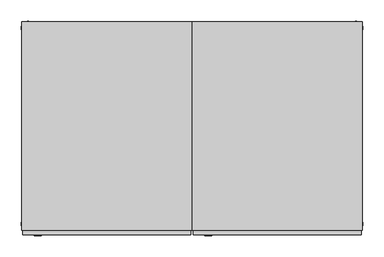
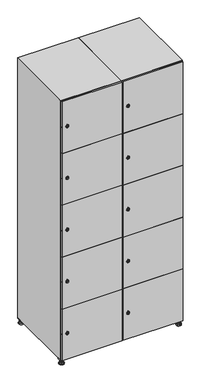
"""IFC4 building model written with IfcOpenShell, lengths in millimetres: furniture geometry."""

from ifc_helpers import new_model, si_unit, point, frame, frame_2d, origin, origin_with_axes, place, context, project, spatial, polyline, circle_curve, trimmed, segment, composite_curve, outline, extrude, faceted_brep, source, transform, mapped, element, save
from ifc_brep_helpers import plane_surface, revolved_surface, advanced_brep


def furniture_2ce0f1fb(model_context):
    return source(origin(), model_context, "Body", "SolidModel", [
        extrude(outline(polyline([(600.0, 245.0), (600.0, 215.0), (570.0, 215.0), (570.0, 245.0), (600.0, 245.0)]), holes=[polyline([(598.0, 243.0), (572.0, 243.0), (572.0, 217.0), (598.0, 217.0), (598.0, 243.0)])]), frame((0.0, 0.0, 28.5), z_axis=(0.0, 0.0, 1.0), x_axis=(1.0, 0.0, 0.0)), (0.0, 0.0, 1.0), 6.5),
        extrude(outline(polyline([(570.0, -245.0), (570.0, -215.0), (600.0, -215.0), (600.0, -245.0), (570.0, -245.0)]), holes=[polyline([(572.0, -243.0), (598.0, -243.0), (598.0, -217.0), (572.0, -217.0), (572.0, -243.0)])]), frame((0.0, 0.0, 28.5), z_axis=(0.0, 0.0, 1.0), x_axis=(1.0, 0.0, 0.0)), (0.0, 0.0, 1.0), 6.5),
        extrude(outline(polyline([(-170.0, 245.0), (-170.0, 215.0), (-200.0, 215.0), (-200.0, 245.0), (-170.0, 245.0)]), holes=[polyline([(-172.0, 243.0), (-198.0, 243.0), (-198.0, 217.0), (-172.0, 217.0), (-172.0, 243.0)])]), frame((0.0, 0.0, 28.5), z_axis=(0.0, 0.0, 1.0), x_axis=(1.0, 0.0, 0.0)), (0.0, 0.0, 1.0), 6.5),
        extrude(outline(polyline([(-170.0, -215.0), (-170.0, -245.0), (-200.0, -245.0), (-200.0, -215.0), (-170.0, -215.0)]), holes=[polyline([(-198.0, -243.0), (-172.0, -243.0), (-172.0, -217.0), (-198.0, -217.0), (-198.0, -243.0)])]), frame((0.0, 0.0, 28.5), z_axis=(0.0, 0.0, 1.0), x_axis=(1.0, 0.0, 0.0)), (0.0, 0.0, 1.0), 6.5),
        extrude(outline(composite_curve([segment(trimmed(circle_curve(frame_2d((-185.0, 230.0)), 5.0), [point((-180.0, 230.0))], [point((-190.0, 230.0))], False, "CARTESIAN"), True, "CONTINUOUS"), segment(trimmed(circle_curve(frame_2d((-185.0, 230.0)), 5.0), [point((-190.0, 230.0))], [point((-180.0, 230.0))], False, "CARTESIAN"), True, "CONTINUOUS")], self_intersect=False)), frame((0.0, 0.0, 19.6), z_axis=(0.0, 0.0, 1.0), x_axis=(1.0, 0.0, 0.0)), (0.0, 0.0, 1.0), 15.4),
        extrude(outline(composite_curve([segment(trimmed(circle_curve(frame_2d((-185.0, -230.0)), 5.0), [point((-180.0, -230.0))], [point((-190.0, -230.0))], False, "CARTESIAN"), True, "CONTINUOUS"), segment(trimmed(circle_curve(frame_2d((-185.0, -230.0)), 5.0), [point((-190.0, -230.0))], [point((-180.0, -230.0))], False, "CARTESIAN"), True, "CONTINUOUS")], self_intersect=False)), frame((0.0, 0.0, 19.6), z_axis=(0.0, 0.0, 1.0), x_axis=(1.0, 0.0, 0.0)), (0.0, 0.0, 1.0), 15.4),
        extrude(outline(composite_curve([segment(trimmed(circle_curve(frame_2d((585.0, 230.0)), 5.0), [point((590.0, 230.0))], [point((580.0, 230.0))], False, "CARTESIAN"), True, "CONTINUOUS"), segment(trimmed(circle_curve(frame_2d((585.0, 230.0)), 5.0), [point((580.0, 230.0))], [point((590.0, 230.0))], False, "CARTESIAN"), True, "CONTINUOUS")], self_intersect=False)), frame((0.0, 0.0, 19.6), z_axis=(0.0, 0.0, 1.0), x_axis=(1.0, 0.0, 0.0)), (0.0, 0.0, 1.0), 15.4),
        extrude(outline(polyline([(573.4529946, 230.0), (579.2264973, 240.0), (590.7735027, 240.0), (596.5470054, 230.0), (590.7735027, 220.0), (579.2264973, 220.0), (573.4529946, 230.0)])), frame((0.0, 0.0, 13.6), z_axis=(0.0, 0.0, 1.0), x_axis=(1.0, 0.0, 0.0)), (0.0, 0.0, 1.0), 6.0),
        extrude(outline(composite_curve([segment(trimmed(circle_curve(frame_2d((585.0, -230.0)), 5.0), [point((590.0, -230.0))], [point((580.0, -230.0))], False, "CARTESIAN"), True, "CONTINUOUS"), segment(trimmed(circle_curve(frame_2d((585.0, -230.0)), 5.0), [point((580.0, -230.0))], [point((590.0, -230.0))], False, "CARTESIAN"), True, "CONTINUOUS")], self_intersect=False)), frame((0.0, 0.0, 19.6), z_axis=(0.0, 0.0, 1.0), x_axis=(1.0, 0.0, 0.0)), (0.0, 0.0, 1.0), 15.4),
        extrude(outline(polyline([(573.4529946, -230.0), (579.2264973, -220.0), (590.7735027, -220.0), (596.5470054, -230.0), (590.7735027, -240.0), (579.2264973, -240.0), (573.4529946, -230.0)])), frame((0.0, 0.0, 13.6), z_axis=(0.0, 0.0, 1.0), x_axis=(1.0, 0.0, 0.0)), (0.0, 0.0, 1.0), 6.0),
        extrude(outline(composite_curve([segment(trimmed(circle_curve(frame_2d((585.0, 230.0)), 5.0), [point((590.0, 230.0))], [point((580.0, 230.0))], False, "CARTESIAN"), True, "CONTINUOUS"), segment(trimmed(circle_curve(frame_2d((585.0, 230.0)), 5.0), [point((580.0, 230.0))], [point((590.0, 230.0))], False, "CARTESIAN"), True, "CONTINUOUS")], self_intersect=False)), frame((0.0, 0.0, 12.1), z_axis=(0.0, 0.0, 1.0), x_axis=(1.0, 0.0, 0.0)), (0.0, 0.0, 1.0), 1.5),
        extrude(outline(composite_curve([segment(trimmed(circle_curve(frame_2d((585.0, -230.0)), 5.0), [point((590.0, -230.0))], [point((580.0, -230.0))], False, "CARTESIAN"), True, "CONTINUOUS"), segment(trimmed(circle_curve(frame_2d((585.0, -230.0)), 5.0), [point((580.0, -230.0))], [point((590.0, -230.0))], False, "CARTESIAN"), True, "CONTINUOUS")], self_intersect=False)), frame((0.0, 0.0, 12.1), z_axis=(0.0, 0.0, 1.0), x_axis=(1.0, 0.0, 0.0)), (0.0, 0.0, 1.0), 1.5),
        extrude(outline(polyline([(-196.5470054, 230.0), (-190.7735027, 240.0), (-179.2264973, 240.0), (-173.4529946, 230.0), (-179.2264973, 220.0), (-190.7735027, 220.0), (-196.5470054, 230.0)])), frame((0.0, 0.0, 13.6), z_axis=(0.0, 0.0, 1.0), x_axis=(1.0, 0.0, 0.0)), (0.0, 0.0, 1.0), 6.0),
        extrude(outline(polyline([(-196.5470054, -230.0), (-190.7735027, -220.0), (-179.2264973, -220.0), (-173.4529946, -230.0), (-179.2264973, -240.0), (-190.7735027, -240.0), (-196.5470054, -230.0)])), frame((0.0, 0.0, 13.6), z_axis=(0.0, 0.0, 1.0), x_axis=(1.0, 0.0, 0.0)), (0.0, 0.0, 1.0), 6.0),
        extrude(outline(composite_curve([segment(trimmed(circle_curve(frame_2d((-185.0, 230.0)), 5.0), [point((-185.0, 235.0))], [point((-185.0, 225.0))], False, "CARTESIAN"), True, "CONTINUOUS"), segment(trimmed(circle_curve(frame_2d((-185.0, 230.0)), 5.0), [point((-185.0, 225.0))], [point((-185.0, 235.0))], False, "CARTESIAN"), True, "CONTINUOUS")], self_intersect=False)), frame((0.0, 0.0, 12.1), z_axis=(0.0, 0.0, 1.0), x_axis=(1.0, 0.0, 0.0)), (0.0, 0.0, 1.0), 1.5),
        extrude(outline(composite_curve([segment(trimmed(circle_curve(frame_2d((-185.0, -230.0)), 5.0), [point((-180.0, -230.0))], [point((-190.0, -230.0))], False, "CARTESIAN"), True, "CONTINUOUS"), segment(trimmed(circle_curve(frame_2d((-185.0, -230.0)), 5.0), [point((-190.0, -230.0))], [point((-180.0, -230.0))], False, "CARTESIAN"), True, "CONTINUOUS")], self_intersect=False)), frame((0.0, 0.0, 12.1), z_axis=(0.0, 0.0, 1.0), x_axis=(1.0, 0.0, 0.0)), (0.0, 0.0, 1.0), 1.5),
        extrude(outline(composite_curve([segment(trimmed(circle_curve(frame_2d((585.0, 230.0)), 15.75), [point((600.75, 230.0))], [point((569.25, 230.0))], False, "CARTESIAN"), True, "CONTINUOUS"), segment(trimmed(circle_curve(frame_2d((585.0, 230.0)), 15.75), [point((569.25, 230.0))], [point((600.75, 230.0))], False, "CARTESIAN"), True, "CONTINUOUS")], self_intersect=False)), origin_with_axes(), (0.0, 0.0, 1.0), 5.1),
        extrude(outline(composite_curve([segment(trimmed(circle_curve(frame_2d((585.0, -230.0)), 15.75), [point((585.0, -214.25))], [point((585.0, -245.75))], False, "CARTESIAN"), True, "CONTINUOUS"), segment(trimmed(circle_curve(frame_2d((585.0, -230.0)), 15.75), [point((585.0, -245.75))], [point((585.0, -214.25))], False, "CARTESIAN"), True, "CONTINUOUS")], self_intersect=False)), origin_with_axes(), (0.0, 0.0, 1.0), 5.1),
        extrude(outline(composite_curve([segment(trimmed(circle_curve(frame_2d((-185.0, -230.0)), 15.75), [point((-169.25, -230.0))], [point((-200.75, -230.0))], False, "CARTESIAN"), True, "CONTINUOUS"), segment(trimmed(circle_curve(frame_2d((-185.0, -230.0)), 15.75), [point((-200.75, -230.0))], [point((-169.25, -230.0))], False, "CARTESIAN"), True, "CONTINUOUS")], self_intersect=False)), origin_with_axes(), (0.0, 0.0, 1.0), 5.1),
        extrude(outline(composite_curve([segment(trimmed(circle_curve(frame_2d((-185.0, 230.0)), 15.75), [point((-169.25, 230.0))], [point((-200.75, 230.0))], False, "CARTESIAN"), True, "CONTINUOUS"), segment(trimmed(circle_curve(frame_2d((-185.0, 230.0)), 15.75), [point((-200.75, 230.0))], [point((-169.25, 230.0))], False, "CARTESIAN"), True, "CONTINUOUS")], self_intersect=False)), origin_with_axes(), (0.0, 0.0, 1.0), 5.1),
        advanced_brep(
        [(-185.0, 239.5, 12.1), (-185.0, 220.5, 12.1), (-185.0, 214.25, 5.1), (-185.0, 245.75, 5.1)],
        [
            (0, 1, circle_curve(frame((-185.0, 230.0, 12.1), z_axis=(0.0, 0.0, -1.0), x_axis=(0.0, 1.0, 0.0)), 9.5)),
            (1, 2),
            (2, 3, circle_curve(frame((-185.0, 230.0, 5.1), z_axis=(0.0, 0.0, 1.0), x_axis=(0.0, 1.0, 0.0)), 15.75)),
            (3, 0),
            (1, 0, circle_curve(frame((-185.0, 230.0, 12.1), z_axis=(0.0, 0.0, -1.0), x_axis=(0.0, -1.0, 0.0)), 9.5)),
            (3, 2, circle_curve(frame((-185.0, 230.0, 5.1), z_axis=(0.0, 0.0, 1.0), x_axis=(0.0, -1.0, 0.0)), 15.75)),
        ],
        [
            revolved_surface(polyline([(-185.0, 220.5, 12.099999999999998), (-185.0, 214.25, 5.099999999999998)]), (-185.0, 230.0, 22.74), (0.0, 0.0, -1.0)),
            revolved_surface(polyline([(-185.0, 239.5, 12.099999999999998), (-185.0, 245.75, 5.099999999999998)]), (-185.0, 230.0, 22.74), (0.0, 0.0, -1.0)),
            plane_surface(frame((-185.0, 230.0, 5.1), z_axis=(0.0, 0.0, -1.0), x_axis=(1.0, 0.0, 0.0))),
            plane_surface(frame((-185.0, 230.0, 12.1), z_axis=(0.0, 0.0, 1.0), x_axis=(1.0, 0.0, 0.0))),
        ],
        [
            (0, [[1, 2, 3, 4]]),
            (1, [[5, -4, 6, -2]]),
            (2, [[-3, -6]]),
            (3, [[-5, -1]]),
        ],
    ),
        advanced_brep(
        [(585.0, 239.5, 12.1), (585.0, 220.5, 12.1), (585.0, 214.25, 5.1), (585.0, 245.75, 5.1)],
        [
            (0, 1, circle_curve(frame((585.0, 230.0, 12.1), z_axis=(0.0, 0.0, -1.0), x_axis=(0.0, 1.0, 0.0)), 9.5)),
            (1, 2),
            (2, 3, circle_curve(frame((585.0, 230.0, 5.1), z_axis=(0.0, 0.0, 1.0), x_axis=(0.0, 1.0, 0.0)), 15.75)),
            (3, 0),
            (1, 0, circle_curve(frame((585.0, 230.0, 12.1), z_axis=(0.0, 0.0, -1.0), x_axis=(0.0, -1.0, 0.0)), 9.5)),
            (3, 2, circle_curve(frame((585.0, 230.0, 5.1), z_axis=(0.0, 0.0, 1.0), x_axis=(0.0, -1.0, 0.0)), 15.75)),
        ],
        [
            revolved_surface(polyline([(585.0, 220.5, 12.099999999999998), (585.0, 214.25, 5.099999999999998)]), (585.0, 230.0, 22.74), (0.0, 0.0, -1.0)),
            revolved_surface(polyline([(585.0, 239.5, 12.099999999999998), (585.0, 245.75, 5.099999999999998)]), (585.0, 230.0, 22.74), (0.0, 0.0, -1.0)),
            plane_surface(frame((585.0, 230.0, 5.1), z_axis=(0.0, 0.0, -1.0), x_axis=(1.0, 0.0, 0.0))),
            plane_surface(frame((585.0, 230.0, 12.1), z_axis=(0.0, 0.0, 1.0), x_axis=(1.0, 0.0, 0.0))),
        ],
        [
            (0, [[1, 2, 3, 4]]),
            (1, [[5, -4, 6, -2]]),
            (2, [[-3, -6]]),
            (3, [[-5, -1]]),
        ],
    ),
        advanced_brep(
        [(600.75, -230.0, 5.1), (569.25, -230.0, 5.1), (575.5, -230.0, 12.1), (594.5, -230.0, 12.1)],
        [
            (0, 1, circle_curve(frame((585.0, -230.0, 5.1), z_axis=(0.0, 0.0, 1.0), x_axis=(1.0, 0.0, 0.0)), 15.75)),
            (1, 2),
            (2, 3, circle_curve(frame((585.0, -230.0, 12.1), z_axis=(0.0, 0.0, -1.0), x_axis=(1.0, 0.0, 0.0)), 9.5)),
            (3, 0),
            (1, 0, circle_curve(frame((585.0, -230.0, 5.1), z_axis=(0.0, 0.0, 1.0), x_axis=(-1.0, 0.0, 0.0)), 15.75)),
            (3, 2, circle_curve(frame((585.0, -230.0, 12.1), z_axis=(0.0, 0.0, -1.0), x_axis=(-1.0, 0.0, 0.0)), 9.5)),
        ],
        [
            revolved_surface(polyline([(594.5, -230.0, 12.099999999999998), (600.75, -230.0, 5.099999999999998)]), (585.0, -230.0, 22.74), (0.0, 0.0, -1.0)),
            revolved_surface(polyline([(575.5, -230.0, 12.099999999999998), (569.25, -230.0, 5.099999999999998)]), (585.0, -230.0, 22.74), (0.0, 0.0, -1.0)),
            plane_surface(frame((585.0, -230.0, 12.1), z_axis=(0.0, 0.0, 1.0), x_axis=(0.0, 1.0, 0.0))),
            plane_surface(frame((585.0, -230.0, 5.1), z_axis=(0.0, 0.0, -1.0), x_axis=(0.0, 1.0, 0.0))),
        ],
        [
            (0, [[1, 2, 3, 4]]),
            (1, [[5, -4, 6, -2]]),
            (2, [[-3, -6]]),
            (3, [[-5, -1]]),
        ],
    ),
        advanced_brep(
        [(-169.25, -230.0, 5.1), (-200.75, -230.0, 5.1), (-194.5, -230.0, 12.1), (-175.5, -230.0, 12.1)],
        [
            (0, 1, circle_curve(frame((-185.0, -230.0, 5.1), z_axis=(0.0, 0.0, 1.0), x_axis=(1.0, 0.0, 0.0)), 15.75)),
            (1, 2),
            (2, 3, circle_curve(frame((-185.0, -230.0, 12.1), z_axis=(0.0, 0.0, -1.0), x_axis=(1.0, 0.0, 0.0)), 9.5)),
            (3, 0),
            (1, 0, circle_curve(frame((-185.0, -230.0, 5.1), z_axis=(0.0, 0.0, 1.0), x_axis=(-1.0, 0.0, 0.0)), 15.75)),
            (3, 2, circle_curve(frame((-185.0, -230.0, 12.1), z_axis=(0.0, 0.0, -1.0), x_axis=(-1.0, 0.0, 0.0)), 9.5)),
        ],
        [
            revolved_surface(polyline([(-175.5, -230.0, 12.099999999999998), (-169.25, -230.0, 5.099999999999998)]), (-185.0, -230.0, 22.74), (0.0, 0.0, -1.0)),
            revolved_surface(polyline([(-194.5, -230.0, 12.099999999999998), (-200.75, -230.0, 5.099999999999998)]), (-185.0, -230.0, 22.74), (0.0, 0.0, -1.0)),
            plane_surface(frame((-185.0, -230.0, 12.1), z_axis=(0.0, 0.0, 1.0), x_axis=(0.0, 1.0, 0.0))),
            plane_surface(frame((-185.0, -230.0, 5.1), z_axis=(0.0, 0.0, -1.0), x_axis=(0.0, 1.0, 0.0))),
        ],
        [
            (0, [[1, 2, 3, 4]]),
            (1, [[5, -4, 6, -2]]),
            (2, [[-3, -6]]),
            (3, [[-5, -1]]),
        ],
    ),
        extrude(outline(composite_curve([segment(trimmed(circle_curve(frame_2d((217.4, 211.2010534)), 7.0), [point((224.4, 211.2010534))], [point((210.4, 211.2010534))], False, "CARTESIAN"), True, "CONTINUOUS"), segment(polyline([(210.4, 211.2010534), (210.4, 239.2010534)]), True, "CONTINUOUS"), segment(trimmed(circle_curve(frame_2d((217.4, 239.2010534)), 7.0), [point((210.4, 239.2010534))], [point((224.4, 239.2010534))], False, "CARTESIAN"), True, "CONTINUOUS"), segment(polyline([(224.4, 239.2010534), (224.4, 211.2010534)]), True, "CONTINUOUS")], self_intersect=False)), frame((0.0, -245.0, 0.0), z_axis=(0.0, 1.0, 0.0), x_axis=(0.0, 0.0, 1.0)), (0.0, 0.0, 1.0), 2.0),
        advanced_brep(
        [(246.5, -257.2, 217.4), (229.5, -257.2, 217.4), (233.0, -257.2, 216.15), (233.0, -257.2, 218.65), (243.0, -257.2, 218.65), (243.0, -257.2, 216.15), (248.5, -255.0, 217.4), (227.5, -255.0, 217.4), (233.0, -255.0, 218.65), (233.0, -255.0, 216.15), (243.0, -255.0, 216.15), (243.0, -255.0, 218.65)],
        [
            (0, 1, circle_curve(frame((238.0, -257.2, 217.4), z_axis=(0.0, -1.0, 0.0), x_axis=(1.0, 0.0, 0.0)), 8.5)),
            (1, 0, circle_curve(frame((238.0, -257.2, 217.4), z_axis=(0.0, -1.0, 0.0), x_axis=(-1.0, 0.0, 0.0)), 8.5)),
            (2, 3),
            (3, 4),
            (4, 5),
            (5, 2),
            (6, 7, circle_curve(frame((238.0, -255.0, 217.4), z_axis=(0.0, 1.0, 0.0), x_axis=(-1.0, 0.0, 0.0)), 10.5)),
            (7, 6, circle_curve(frame((238.0, -255.0, 217.4), z_axis=(0.0, 1.0, 0.0), x_axis=(1.0, 0.0, 0.0)), 10.5)),
            (8, 9),
            (9, 10),
            (10, 11),
            (11, 8),
            (0, 6),
            (7, 1),
            (8, 3),
            (2, 9),
            (11, 4),
            (10, 5),
        ],
        [
            plane_surface(frame((238.0, -257.2, 217.4), z_axis=(0.0, -1.0, 0.0), x_axis=(0.0, 0.0, 1.0))),
            plane_surface(frame((238.0, -255.0, 217.4), z_axis=(0.0, 1.0, 0.0), x_axis=(0.0, 0.0, 1.0))),
            revolved_surface(polyline([(246.5, -257.2, 217.4), (248.5, -255.0, 217.4)]), (238.0, -266.55, 217.4), (0.0, 1.0, 0.0)),
            revolved_surface(polyline([(229.5, -257.2, 217.4), (227.5, -255.0, 217.4)]), (238.0, -266.55, 217.4), (0.0, 1.0, 0.0)),
            plane_surface(frame((233.0, -255.0, 216.15), z_axis=(1.0, 0.0, 0.0), x_axis=(0.0, -1.0, 0.0))),
            plane_surface(frame((233.0, -255.0, 218.65), z_axis=(0.0, 0.0, -1.0), x_axis=(0.0, -1.0, 0.0))),
            plane_surface(frame((243.0, -255.0, 218.65), z_axis=(-1.0, 0.0, 0.0), x_axis=(0.0, -1.0, 0.0))),
            plane_surface(frame((243.0, -255.0, 216.15), z_axis=(0.0, 0.0, 1.0), x_axis=(0.0, -1.0, 0.0))),
        ],
        [
            (0, [[1, 2], [3, 4, 5, 6]]),
            (1, [[7, 8], [9, 10, 11, 12]]),
            (2, [[-1, 13, -8, 14]]),
            (3, [[-2, -14, -7, -13]]),
            (4, [[15, -3, 16, -9]]),
            (5, [[-15, -12, 17, -4]]),
            (6, [[-17, -11, 18, -5]]),
            (7, [[-16, -6, -18, -10]]),
        ],
    ),
        extrude(outline(composite_curve([segment(trimmed(circle_curve(frame_2d((576.2, 211.2010534)), 7.0), [point((583.2, 211.2010534))], [point((569.2, 211.2010534))], False, "CARTESIAN"), True, "CONTINUOUS"), segment(polyline([(569.2, 211.2010534), (569.2, 239.2010534)]), True, "CONTINUOUS"), segment(trimmed(circle_curve(frame_2d((576.2, 239.2010534)), 7.0), [point((569.2, 239.2010534))], [point((583.2, 239.2010534))], False, "CARTESIAN"), True, "CONTINUOUS"), segment(polyline([(583.2, 239.2010534), (583.2, 211.2010534)]), True, "CONTINUOUS")], self_intersect=False)), frame((0.0, -245.0, 0.0), z_axis=(0.0, 1.0, 0.0), x_axis=(0.0, 0.0, 1.0)), (0.0, 0.0, 1.0), 2.0),
        advanced_brep(
        [(246.5, -257.2, 576.2), (229.5, -257.2, 576.2), (233.0, -257.2, 574.95), (233.0, -257.2, 577.45), (243.0, -257.2, 577.45), (243.0, -257.2, 574.95), (248.5, -255.0, 576.2), (227.5, -255.0, 576.2), (233.0, -255.0, 577.45), (233.0, -255.0, 574.95), (243.0, -255.0, 574.95), (243.0, -255.0, 577.45)],
        [
            (0, 1, circle_curve(frame((238.0, -257.2, 576.2), z_axis=(0.0, -1.0, 0.0), x_axis=(1.0, 0.0, 0.0)), 8.5)),
            (1, 0, circle_curve(frame((238.0, -257.2, 576.2), z_axis=(0.0, -1.0, 0.0), x_axis=(-1.0, 0.0, 0.0)), 8.5)),
            (2, 3),
            (3, 4),
            (4, 5),
            (5, 2),
            (6, 7, circle_curve(frame((238.0, -255.0, 576.2), z_axis=(0.0, 1.0, 0.0), x_axis=(-1.0, 0.0, 0.0)), 10.5)),
            (7, 6, circle_curve(frame((238.0, -255.0, 576.2), z_axis=(0.0, 1.0, 0.0), x_axis=(1.0, 0.0, 0.0)), 10.5)),
            (8, 9),
            (9, 10),
            (10, 11),
            (11, 8),
            (0, 6),
            (7, 1),
            (8, 3),
            (2, 9),
            (11, 4),
            (10, 5),
        ],
        [
            plane_surface(frame((238.0, -257.2, 576.2), z_axis=(0.0, -1.0, 0.0), x_axis=(0.0, 0.0, 1.0))),
            plane_surface(frame((238.0, -255.0, 576.2), z_axis=(0.0, 1.0, 0.0), x_axis=(0.0, 0.0, 1.0))),
            revolved_surface(polyline([(246.5, -257.2, 576.2), (248.5, -255.0, 576.2)]), (238.0, -266.55, 576.2), (0.0, 1.0, 0.0)),
            revolved_surface(polyline([(229.5, -257.2, 576.2), (227.5, -255.0, 576.2)]), (238.0, -266.55, 576.2), (0.0, 1.0, 0.0)),
            plane_surface(frame((233.0, -255.0, 574.95), z_axis=(1.0, 0.0, 0.0), x_axis=(0.0, -1.0, 0.0))),
            plane_surface(frame((233.0, -255.0, 577.45), z_axis=(0.0, 0.0, -1.0), x_axis=(0.0, -1.0, 0.0))),
            plane_surface(frame((243.0, -255.0, 577.45), z_axis=(-1.0, 0.0, 0.0), x_axis=(0.0, -1.0, 0.0))),
            plane_surface(frame((243.0, -255.0, 574.95), z_axis=(0.0, 0.0, 1.0), x_axis=(0.0, -1.0, 0.0))),
        ],
        [
            (0, [[1, 2], [3, 4, 5, 6]]),
            (1, [[7, 8], [9, 10, 11, 12]]),
            (2, [[-1, 13, -8, 14]]),
            (3, [[-2, -14, -7, -13]]),
            (4, [[15, -3, 16, -9]]),
            (5, [[-15, -12, 17, -4]]),
            (6, [[-17, -11, 18, -5]]),
            (7, [[-16, -6, -18, -10]]),
        ],
    ),
        extrude(outline(composite_curve([segment(trimmed(circle_curve(frame_2d((935.0, 211.2010534)), 7.0), [point((942.0, 211.2010534))], [point((928.0, 211.2010534))], False, "CARTESIAN"), True, "CONTINUOUS"), segment(polyline([(928.0, 211.2010534), (928.0, 239.2010534)]), True, "CONTINUOUS"), segment(trimmed(circle_curve(frame_2d((935.0, 239.2010534)), 7.0), [point((928.0, 239.2010534))], [point((942.0, 239.2010534))], False, "CARTESIAN"), True, "CONTINUOUS"), segment(polyline([(942.0, 239.2010534), (942.0, 211.2010534)]), True, "CONTINUOUS")], self_intersect=False)), frame((0.0, -245.0, 0.0), z_axis=(0.0, 1.0, 0.0), x_axis=(0.0, 0.0, 1.0)), (0.0, 0.0, 1.0), 2.0),
        advanced_brep(
        [(246.5, -257.2, 935.0), (229.5, -257.2, 935.0), (233.0, -257.2, 933.75), (233.0, -257.2, 936.25), (243.0, -257.2, 936.25), (243.0, -257.2, 933.75), (248.5, -255.0, 935.0), (227.5, -255.0, 935.0), (233.0, -255.0, 936.25), (233.0, -255.0, 933.75), (243.0, -255.0, 933.75), (243.0, -255.0, 936.25)],
        [
            (0, 1, circle_curve(frame((238.0, -257.2, 935.0), z_axis=(0.0, -1.0, 0.0), x_axis=(1.0, 0.0, 0.0)), 8.5)),
            (1, 0, circle_curve(frame((238.0, -257.2, 935.0), z_axis=(0.0, -1.0, 0.0), x_axis=(-1.0, 0.0, 0.0)), 8.5)),
            (2, 3),
            (3, 4),
            (4, 5),
            (5, 2),
            (6, 7, circle_curve(frame((238.0, -255.0, 935.0), z_axis=(0.0, 1.0, 0.0), x_axis=(-1.0, 0.0, 0.0)), 10.5)),
            (7, 6, circle_curve(frame((238.0, -255.0, 935.0), z_axis=(0.0, 1.0, 0.0), x_axis=(1.0, 0.0, 0.0)), 10.5)),
            (8, 9),
            (9, 10),
            (10, 11),
            (11, 8),
            (0, 6),
            (7, 1),
            (8, 3),
            (2, 9),
            (11, 4),
            (10, 5),
        ],
        [
            plane_surface(frame((238.0, -257.2, 935.0), z_axis=(0.0, -1.0, 0.0), x_axis=(0.0, 0.0, 1.0))),
            plane_surface(frame((238.0, -255.0, 935.0), z_axis=(0.0, 1.0, 0.0), x_axis=(0.0, 0.0, 1.0))),
            revolved_surface(polyline([(246.5, -257.2, 935.0), (248.5, -255.0, 935.0)]), (238.0, -266.55, 935.0), (0.0, 1.0, 0.0)),
            revolved_surface(polyline([(229.5, -257.2, 935.0), (227.5, -255.0, 935.0)]), (238.0, -266.55, 935.0), (0.0, 1.0, 0.0)),
            plane_surface(frame((233.0, -255.0, 933.75), z_axis=(1.0, 0.0, 0.0), x_axis=(0.0, -1.0, 0.0))),
            plane_surface(frame((233.0, -255.0, 936.25), z_axis=(0.0, 0.0, -1.0), x_axis=(0.0, -1.0, 0.0))),
            plane_surface(frame((243.0, -255.0, 936.25), z_axis=(-1.0, 0.0, 0.0), x_axis=(0.0, -1.0, 0.0))),
            plane_surface(frame((243.0, -255.0, 933.75), z_axis=(0.0, 0.0, 1.0), x_axis=(0.0, -1.0, 0.0))),
        ],
        [
            (0, [[1, 2], [3, 4, 5, 6]]),
            (1, [[7, 8], [9, 10, 11, 12]]),
            (2, [[-1, 13, -8, 14]]),
            (3, [[-2, -14, -7, -13]]),
            (4, [[15, -3, 16, -9]]),
            (5, [[-15, -12, 17, -4]]),
            (6, [[-17, -11, 18, -5]]),
            (7, [[-16, -6, -18, -10]]),
        ],
    ),
        extrude(outline(composite_curve([segment(trimmed(circle_curve(frame_2d((1293.8, 211.2010534)), 7.0), [point((1300.8, 211.2010534))], [point((1286.8, 211.2010534))], False, "CARTESIAN"), True, "CONTINUOUS"), segment(polyline([(1286.8, 211.2010534), (1286.8, 239.2010534)]), True, "CONTINUOUS"), segment(trimmed(circle_curve(frame_2d((1293.8, 239.2010534)), 7.0), [point((1286.8, 239.2010534))], [point((1300.8, 239.2010534))], False, "CARTESIAN"), True, "CONTINUOUS"), segment(polyline([(1300.8, 239.2010534), (1300.8, 211.2010534)]), True, "CONTINUOUS")], self_intersect=False)), frame((0.0, -245.0, 0.0), z_axis=(0.0, 1.0, 0.0), x_axis=(0.0, 0.0, 1.0)), (0.0, 0.0, 1.0), 2.0),
        advanced_brep(
        [(246.5, -257.2, 1293.8), (229.5, -257.2, 1293.8), (233.0, -257.2, 1292.55), (233.0, -257.2, 1295.05), (243.0, -257.2, 1295.05), (243.0, -257.2, 1292.55), (248.5, -255.0, 1293.8), (227.5, -255.0, 1293.8), (233.0, -255.0, 1295.05), (233.0, -255.0, 1292.55), (243.0, -255.0, 1292.55), (243.0, -255.0, 1295.05)],
        [
            (0, 1, circle_curve(frame((238.0, -257.2, 1293.8), z_axis=(0.0, -1.0, 0.0), x_axis=(1.0, 0.0, 0.0)), 8.5)),
            (1, 0, circle_curve(frame((238.0, -257.2, 1293.8), z_axis=(0.0, -1.0, 0.0), x_axis=(-1.0, 0.0, 0.0)), 8.5)),
            (2, 3),
            (3, 4),
            (4, 5),
            (5, 2),
            (6, 7, circle_curve(frame((238.0, -255.0, 1293.8), z_axis=(0.0, 1.0, 0.0), x_axis=(-1.0, 0.0, 0.0)), 10.5)),
            (7, 6, circle_curve(frame((238.0, -255.0, 1293.8), z_axis=(0.0, 1.0, 0.0), x_axis=(1.0, 0.0, 0.0)), 10.5)),
            (8, 9),
            (9, 10),
            (10, 11),
            (11, 8),
            (0, 6),
            (7, 1),
            (8, 3),
            (2, 9),
            (11, 4),
            (10, 5),
        ],
        [
            plane_surface(frame((238.0, -257.2, 1293.8), z_axis=(0.0, -1.0, 0.0), x_axis=(0.0, 0.0, 1.0))),
            plane_surface(frame((238.0, -255.0, 1293.8), z_axis=(0.0, 1.0, 0.0), x_axis=(0.0, 0.0, 1.0))),
            revolved_surface(polyline([(246.5, -257.2, 1293.8), (248.5, -255.0, 1293.8)]), (238.0, -266.55, 1293.8), (0.0, 1.0, 0.0)),
            revolved_surface(polyline([(229.5, -257.2, 1293.8), (227.5, -255.0, 1293.8)]), (238.0, -266.55, 1293.8), (0.0, 1.0, 0.0)),
            plane_surface(frame((233.0, -255.0, 1292.55), z_axis=(1.0, 0.0, 0.0), x_axis=(0.0, -1.0, 0.0))),
            plane_surface(frame((233.0, -255.0, 1295.05), z_axis=(0.0, 0.0, -1.0), x_axis=(0.0, -1.0, 0.0))),
            plane_surface(frame((243.0, -255.0, 1295.05), z_axis=(-1.0, 0.0, 0.0), x_axis=(0.0, -1.0, 0.0))),
            plane_surface(frame((243.0, -255.0, 1292.55), z_axis=(0.0, 0.0, 1.0), x_axis=(0.0, -1.0, 0.0))),
        ],
        [
            (0, [[1, 2], [3, 4, 5, 6]]),
            (1, [[7, 8], [9, 10, 11, 12]]),
            (2, [[-1, 13, -8, 14]]),
            (3, [[-2, -14, -7, -13]]),
            (4, [[15, -3, 16, -9]]),
            (5, [[-15, -12, 17, -4]]),
            (6, [[-17, -11, 18, -5]]),
            (7, [[-16, -6, -18, -10]]),
        ],
    ),
        extrude(outline(composite_curve([segment(trimmed(circle_curve(frame_2d((1652.6, 211.2010534)), 7.0), [point((1659.6, 211.2010534))], [point((1645.6, 211.2010534))], False, "CARTESIAN"), True, "CONTINUOUS"), segment(polyline([(1645.6, 211.2010534), (1645.6, 239.2010534)]), True, "CONTINUOUS"), segment(trimmed(circle_curve(frame_2d((1652.6, 239.2010534)), 7.0), [point((1645.6, 239.2010534))], [point((1659.6, 239.2010534))], False, "CARTESIAN"), True, "CONTINUOUS"), segment(polyline([(1659.6, 239.2010534), (1659.6, 211.2010534)]), True, "CONTINUOUS")], self_intersect=False)), frame((0.0, -245.0, 0.0), z_axis=(0.0, 1.0, 0.0), x_axis=(0.0, 0.0, 1.0)), (0.0, 0.0, 1.0), 2.0),
        advanced_brep(
        [(246.5, -257.2, 1652.6), (229.5, -257.2, 1652.6), (233.0, -257.2, 1651.35), (233.0, -257.2, 1653.85), (243.0, -257.2, 1653.85), (243.0, -257.2, 1651.35), (248.5, -255.0, 1652.6), (227.5, -255.0, 1652.6), (233.0, -255.0, 1653.85), (233.0, -255.0, 1651.35), (243.0, -255.0, 1651.35), (243.0, -255.0, 1653.85)],
        [
            (0, 1, circle_curve(frame((238.0, -257.2, 1652.6), z_axis=(0.0, -1.0, 0.0), x_axis=(1.0, 0.0, 0.0)), 8.5)),
            (1, 0, circle_curve(frame((238.0, -257.2, 1652.6), z_axis=(0.0, -1.0, 0.0), x_axis=(-1.0, 0.0, 0.0)), 8.5)),
            (2, 3),
            (3, 4),
            (4, 5),
            (5, 2),
            (6, 7, circle_curve(frame((238.0, -255.0, 1652.6), z_axis=(0.0, 1.0, 0.0), x_axis=(-1.0, 0.0, 0.0)), 10.5)),
            (7, 6, circle_curve(frame((238.0, -255.0, 1652.6), z_axis=(0.0, 1.0, 0.0), x_axis=(1.0, 0.0, 0.0)), 10.5)),
            (8, 9),
            (9, 10),
            (10, 11),
            (11, 8),
            (0, 6),
            (7, 1),
            (8, 3),
            (2, 9),
            (11, 4),
            (10, 5),
        ],
        [
            plane_surface(frame((238.0, -257.2, 1652.6), z_axis=(0.0, -1.0, 0.0), x_axis=(0.0, 0.0, 1.0))),
            plane_surface(frame((238.0, -255.0, 1652.6), z_axis=(0.0, 1.0, 0.0), x_axis=(0.0, 0.0, 1.0))),
            revolved_surface(polyline([(246.5, -257.2, 1652.6), (248.5, -255.0, 1652.6)]), (238.0, -266.55, 1652.6), (0.0, 1.0, 0.0)),
            revolved_surface(polyline([(229.5, -257.2, 1652.6), (227.5, -255.0, 1652.6)]), (238.0, -266.55, 1652.6), (0.0, 1.0, 0.0)),
            plane_surface(frame((233.0, -255.0, 1651.35), z_axis=(1.0, 0.0, 0.0), x_axis=(0.0, -1.0, 0.0))),
            plane_surface(frame((233.0, -255.0, 1653.85), z_axis=(0.0, 0.0, -1.0), x_axis=(0.0, -1.0, 0.0))),
            plane_surface(frame((243.0, -255.0, 1653.85), z_axis=(-1.0, 0.0, 0.0), x_axis=(0.0, -1.0, 0.0))),
            plane_surface(frame((243.0, -255.0, 1651.35), z_axis=(0.0, 0.0, 1.0), x_axis=(0.0, -1.0, 0.0))),
        ],
        [
            (0, [[1, 2], [3, 4, 5, 6]]),
            (1, [[7, 8], [9, 10, 11, 12]]),
            (2, [[-1, 13, -8, 14]]),
            (3, [[-2, -14, -7, -13]]),
            (4, [[15, -3, 16, -9]]),
            (5, [[-15, -12, 17, -4]]),
            (6, [[-17, -11, 18, -5]]),
            (7, [[-16, -6, -18, -10]]),
        ],
    ),
        extrude(outline(polyline([(597.0, -245.0), (597.0, -255.0), (203.0, -255.0), (203.0, -245.0), (597.0, -245.0)])), frame((0.0, 0.0, 755.1), z_axis=(0.0, 0.0, 1.0), x_axis=(1.0, 0.0, 0.0)), (0.0, 0.0, 1.0), 359.8),
        extrude(outline(polyline([(597.0, -245.0), (597.0, -255.0), (203.0, -255.0), (203.0, -245.0), (597.0, -245.0)])), frame((0.0, 0.0, 396.3), z_axis=(0.0, 0.0, 1.0), x_axis=(1.0, 0.0, 0.0)), (0.0, 0.0, 1.0), 359.8),
        extrude(outline(polyline([(597.0, -245.0), (597.0, -255.0), (203.0, -255.0), (203.0, -245.0), (597.0, -245.0)])), frame((0.0, 0.0, 1113.9), z_axis=(0.0, 0.0, 1.0), x_axis=(1.0, 0.0, 0.0)), (0.0, 0.0, 1.0), 358.8),
        extrude(outline(polyline([(203.0, -255.0), (203.0, -245.0), (597.0, -245.0), (597.0, -255.0), (203.0, -255.0)])), frame((0.0, 0.0, 1473.7), z_axis=(0.0, 0.0, 1.0), x_axis=(1.0, 0.0, 0.0)), (0.0, 0.0, 1.0), 358.3),
        extrude(outline(polyline([(597.0, -245.0), (597.0, -255.0), (203.0, -255.0), (203.0, -245.0), (597.0, -245.0)])), frame((0.0, 0.0, 38.0), z_axis=(0.0, 0.0, 1.0), x_axis=(1.0, 0.0, 0.0)), (0.0, 0.0, 1.0), 359.3),
        extrude(outline(polyline([(579.6, 242.0), (579.6, -235.0), (220.4, -235.0), (220.4, 242.0), (579.6, 242.0)])), frame((0.0, 0.0, 1446.68), z_axis=(0.0, 0.0, 1.0), x_axis=(1.0, 0.0, 0.0)), (0.0, 0.0, 1.0), 20.4),
        extrude(outline(polyline([(579.6, 242.0), (579.6, -235.0), (220.4, -235.0), (220.4, 242.0), (579.6, 242.0)])), frame((0.0, 0.0, 1098.76), z_axis=(0.0, 0.0, 1.0), x_axis=(1.0, 0.0, 0.0)), (0.0, 0.0, 1.0), 20.4),
        extrude(outline(polyline([(579.6, 242.0), (579.6, -235.0), (220.4, -235.0), (220.4, 242.0), (579.6, 242.0)])), frame((0.0, 0.0, 750.84), z_axis=(0.0, 0.0, 1.0), x_axis=(1.0, 0.0, 0.0)), (0.0, 0.0, 1.0), 20.4),
        extrude(outline(polyline([(220.4, 242.0), (579.6, 242.0), (579.6, -235.0), (220.4, -235.0), (220.4, 242.0)])), frame((0.0, 0.0, 402.92), z_axis=(0.0, 0.0, 1.0), x_axis=(1.0, 0.0, 0.0)), (0.0, 0.0, 1.0), 20.4),
        faceted_brep([(600.0, -245.0, 35.0), (600.0, -245.0, 1835.0), (200.0, -245.0, 1835.0), (200.0, -245.0, 35.0), (579.6, -245.0, 1804.8), (579.6, -245.0, 65.2), (220.4, -245.0, 65.2), (220.4, -245.0, 1804.8), (600.0, 245.0, 35.0), (200.0, 245.0, 35.0), (600.0, 245.0, 1835.0), (200.0, 245.0, 1835.0), (579.6, 242.0, 1804.8), (579.6, 242.0, 65.2), (200.0, 245.0, 1804.8), (220.4, 242.0, 1804.8), (220.4, 242.0, 65.2)], [[[0, 1, 2, 3], [4, 5, 6, 7]], [[8, 0, 3, 9]], [[1, 0, 8, 10]], [[1, 10, 11, 2]], [[4, 12, 13, 5]], [[9, 3, 2, 11, 14]], [[10, 8, 9, 14, 11]], [[12, 15, 16, 13]], [[15, 7, 6, 16]], [[4, 7, 15, 12]], [[6, 5, 13, 16]]]),
        extrude(outline(composite_curve([segment(trimmed(circle_curve(frame_2d((217.4, -188.7989466)), 7.0), [point((224.4, -188.7989466))], [point((210.4, -188.7989466))], False, "CARTESIAN"), True, "CONTINUOUS"), segment(polyline([(210.4, -188.7989466), (210.4, -160.7989466)]), True, "CONTINUOUS"), segment(trimmed(circle_curve(frame_2d((217.4, -160.7989466)), 7.0), [point((210.4, -160.7989466))], [point((224.4, -160.7989466))], False, "CARTESIAN"), True, "CONTINUOUS"), segment(polyline([(224.4, -160.7989466), (224.4, -188.7989466)]), True, "CONTINUOUS")], self_intersect=False)), frame((0.0, -245.0, 0.0), z_axis=(0.0, 1.0, 0.0), x_axis=(0.0, 0.0, 1.0)), (0.0, 0.0, 1.0), 2.0),
        advanced_brep(
        [(-153.5, -257.2, 217.4), (-170.5, -257.2, 217.4), (-167.0, -257.2, 216.15), (-167.0, -257.2, 218.65), (-157.0, -257.2, 218.65), (-157.0, -257.2, 216.15), (-151.5, -255.0, 217.4), (-172.5, -255.0, 217.4), (-167.0, -255.0, 218.65), (-167.0, -255.0, 216.15), (-157.0, -255.0, 216.15), (-157.0, -255.0, 218.65)],
        [
            (0, 1, circle_curve(frame((-162.0, -257.2, 217.4), z_axis=(0.0, -1.0, 0.0), x_axis=(1.0, 0.0, 0.0)), 8.5)),
            (1, 0, circle_curve(frame((-162.0, -257.2, 217.4), z_axis=(0.0, -1.0, 0.0), x_axis=(-1.0, 0.0, 0.0)), 8.5)),
            (2, 3),
            (3, 4),
            (4, 5),
            (5, 2),
            (6, 7, circle_curve(frame((-162.0, -255.0, 217.4), z_axis=(0.0, 1.0, 0.0), x_axis=(-1.0, 0.0, 0.0)), 10.5)),
            (7, 6, circle_curve(frame((-162.0, -255.0, 217.4), z_axis=(0.0, 1.0, 0.0), x_axis=(1.0, 0.0, 0.0)), 10.5)),
            (8, 9),
            (9, 10),
            (10, 11),
            (11, 8),
            (0, 6),
            (7, 1),
            (8, 3),
            (2, 9),
            (11, 4),
            (10, 5),
        ],
        [
            plane_surface(frame((-162.0, -257.2, 217.4), z_axis=(0.0, -1.0, 0.0), x_axis=(0.0, 0.0, 1.0))),
            plane_surface(frame((-162.0, -255.0, 217.4), z_axis=(0.0, 1.0, 0.0), x_axis=(0.0, 0.0, 1.0))),
            revolved_surface(polyline([(-153.5, -257.2, 217.4), (-151.5, -255.0, 217.4)]), (-162.0, -266.55, 217.4), (0.0, 1.0, 0.0)),
            revolved_surface(polyline([(-170.5, -257.2, 217.4), (-172.5, -255.0, 217.4)]), (-162.0, -266.55, 217.4), (0.0, 1.0, 0.0)),
            plane_surface(frame((-167.0, -255.0, 216.15), z_axis=(1.0, 0.0, 0.0), x_axis=(0.0, -1.0, 0.0))),
            plane_surface(frame((-167.0, -255.0, 218.65), z_axis=(0.0, 0.0, -1.0), x_axis=(0.0, -1.0, 0.0))),
            plane_surface(frame((-157.0, -255.0, 218.65), z_axis=(-1.0, 0.0, 0.0), x_axis=(0.0, -1.0, 0.0))),
            plane_surface(frame((-157.0, -255.0, 216.15), z_axis=(0.0, 0.0, 1.0), x_axis=(0.0, -1.0, 0.0))),
        ],
        [
            (0, [[1, 2], [3, 4, 5, 6]]),
            (1, [[7, 8], [9, 10, 11, 12]]),
            (2, [[-1, 13, -8, 14]]),
            (3, [[-2, -14, -7, -13]]),
            (4, [[15, -3, 16, -9]]),
            (5, [[-15, -12, 17, -4]]),
            (6, [[-17, -11, 18, -5]]),
            (7, [[-16, -6, -18, -10]]),
        ],
    ),
        extrude(outline(composite_curve([segment(trimmed(circle_curve(frame_2d((576.2, -188.7989466)), 7.0), [point((583.2, -188.7989466))], [point((569.2, -188.7989466))], False, "CARTESIAN"), True, "CONTINUOUS"), segment(polyline([(569.2, -188.7989466), (569.2, -160.7989466)]), True, "CONTINUOUS"), segment(trimmed(circle_curve(frame_2d((576.2, -160.7989466)), 7.0), [point((569.2, -160.7989466))], [point((583.2, -160.7989466))], False, "CARTESIAN"), True, "CONTINUOUS"), segment(polyline([(583.2, -160.7989466), (583.2, -188.7989466)]), True, "CONTINUOUS")], self_intersect=False)), frame((0.0, -245.0, 0.0), z_axis=(0.0, 1.0, 0.0), x_axis=(0.0, 0.0, 1.0)), (0.0, 0.0, 1.0), 2.0),
        advanced_brep(
        [(-153.5, -257.2, 576.2), (-170.5, -257.2, 576.2), (-167.0, -257.2, 574.95), (-167.0, -257.2, 577.45), (-157.0, -257.2, 577.45), (-157.0, -257.2, 574.95), (-151.5, -255.0, 576.2), (-172.5, -255.0, 576.2), (-167.0, -255.0, 577.45), (-167.0, -255.0, 574.95), (-157.0, -255.0, 574.95), (-157.0, -255.0, 577.45)],
        [
            (0, 1, circle_curve(frame((-162.0, -257.2, 576.2), z_axis=(0.0, -1.0, 0.0), x_axis=(1.0, 0.0, 0.0)), 8.5)),
            (1, 0, circle_curve(frame((-162.0, -257.2, 576.2), z_axis=(0.0, -1.0, 0.0), x_axis=(-1.0, 0.0, 0.0)), 8.5)),
            (2, 3),
            (3, 4),
            (4, 5),
            (5, 2),
            (6, 7, circle_curve(frame((-162.0, -255.0, 576.2), z_axis=(0.0, 1.0, 0.0), x_axis=(-1.0, 0.0, 0.0)), 10.5)),
            (7, 6, circle_curve(frame((-162.0, -255.0, 576.2), z_axis=(0.0, 1.0, 0.0), x_axis=(1.0, 0.0, 0.0)), 10.5)),
            (8, 9),
            (9, 10),
            (10, 11),
            (11, 8),
            (0, 6),
            (7, 1),
            (8, 3),
            (2, 9),
            (11, 4),
            (10, 5),
        ],
        [
            plane_surface(frame((-162.0, -257.2, 576.2), z_axis=(0.0, -1.0, 0.0), x_axis=(0.0, 0.0, 1.0))),
            plane_surface(frame((-162.0, -255.0, 576.2), z_axis=(0.0, 1.0, 0.0), x_axis=(0.0, 0.0, 1.0))),
            revolved_surface(polyline([(-153.5, -257.2, 576.2), (-151.5, -255.0, 576.2)]), (-162.0, -266.55, 576.2), (0.0, 1.0, 0.0)),
            revolved_surface(polyline([(-170.5, -257.2, 576.2), (-172.5, -255.0, 576.2)]), (-162.0, -266.55, 576.2), (0.0, 1.0, 0.0)),
            plane_surface(frame((-167.0, -255.0, 574.95), z_axis=(1.0, 0.0, 0.0), x_axis=(0.0, -1.0, 0.0))),
            plane_surface(frame((-167.0, -255.0, 577.45), z_axis=(0.0, 0.0, -1.0), x_axis=(0.0, -1.0, 0.0))),
            plane_surface(frame((-157.0, -255.0, 577.45), z_axis=(-1.0, 0.0, 0.0), x_axis=(0.0, -1.0, 0.0))),
            plane_surface(frame((-157.0, -255.0, 574.95), z_axis=(0.0, 0.0, 1.0), x_axis=(0.0, -1.0, 0.0))),
        ],
        [
            (0, [[1, 2], [3, 4, 5, 6]]),
            (1, [[7, 8], [9, 10, 11, 12]]),
            (2, [[-1, 13, -8, 14]]),
            (3, [[-2, -14, -7, -13]]),
            (4, [[15, -3, 16, -9]]),
            (5, [[-15, -12, 17, -4]]),
            (6, [[-17, -11, 18, -5]]),
            (7, [[-16, -6, -18, -10]]),
        ],
    ),
        extrude(outline(composite_curve([segment(trimmed(circle_curve(frame_2d((935.0, -188.7989466)), 7.0), [point((942.0, -188.7989466))], [point((928.0, -188.7989466))], False, "CARTESIAN"), True, "CONTINUOUS"), segment(polyline([(928.0, -188.7989466), (928.0, -160.7989466)]), True, "CONTINUOUS"), segment(trimmed(circle_curve(frame_2d((935.0, -160.7989466)), 7.0), [point((928.0, -160.7989466))], [point((942.0, -160.7989466))], False, "CARTESIAN"), True, "CONTINUOUS"), segment(polyline([(942.0, -160.7989466), (942.0, -188.7989466)]), True, "CONTINUOUS")], self_intersect=False)), frame((0.0, -245.0, 0.0), z_axis=(0.0, 1.0, 0.0), x_axis=(0.0, 0.0, 1.0)), (0.0, 0.0, 1.0), 2.0),
        advanced_brep(
        [(-153.5, -257.2, 935.0), (-170.5, -257.2, 935.0), (-167.0, -257.2, 933.75), (-167.0, -257.2, 936.25), (-157.0, -257.2, 936.25), (-157.0, -257.2, 933.75), (-151.5, -255.0, 935.0), (-172.5, -255.0, 935.0), (-167.0, -255.0, 936.25), (-167.0, -255.0, 933.75), (-157.0, -255.0, 933.75), (-157.0, -255.0, 936.25)],
        [
            (0, 1, circle_curve(frame((-162.0, -257.2, 935.0), z_axis=(0.0, -1.0, 0.0), x_axis=(1.0, 0.0, 0.0)), 8.5)),
            (1, 0, circle_curve(frame((-162.0, -257.2, 935.0), z_axis=(0.0, -1.0, 0.0), x_axis=(-1.0, 0.0, 0.0)), 8.5)),
            (2, 3),
            (3, 4),
            (4, 5),
            (5, 2),
            (6, 7, circle_curve(frame((-162.0, -255.0, 935.0), z_axis=(0.0, 1.0, 0.0), x_axis=(-1.0, 0.0, 0.0)), 10.5)),
            (7, 6, circle_curve(frame((-162.0, -255.0, 935.0), z_axis=(0.0, 1.0, 0.0), x_axis=(1.0, 0.0, 0.0)), 10.5)),
            (8, 9),
            (9, 10),
            (10, 11),
            (11, 8),
            (0, 6),
            (7, 1),
            (8, 3),
            (2, 9),
            (11, 4),
            (10, 5),
        ],
        [
            plane_surface(frame((-162.0, -257.2, 935.0), z_axis=(0.0, -1.0, 0.0), x_axis=(0.0, 0.0, 1.0))),
            plane_surface(frame((-162.0, -255.0, 935.0), z_axis=(0.0, 1.0, 0.0), x_axis=(0.0, 0.0, 1.0))),
            revolved_surface(polyline([(-153.5, -257.2, 935.0), (-151.5, -255.0, 935.0)]), (-162.0, -266.55, 935.0), (0.0, 1.0, 0.0)),
            revolved_surface(polyline([(-170.5, -257.2, 935.0), (-172.5, -255.0, 935.0)]), (-162.0, -266.55, 935.0), (0.0, 1.0, 0.0)),
            plane_surface(frame((-167.0, -255.0, 933.75), z_axis=(1.0, 0.0, 0.0), x_axis=(0.0, -1.0, 0.0))),
            plane_surface(frame((-167.0, -255.0, 936.25), z_axis=(0.0, 0.0, -1.0), x_axis=(0.0, -1.0, 0.0))),
            plane_surface(frame((-157.0, -255.0, 936.25), z_axis=(-1.0, 0.0, 0.0), x_axis=(0.0, -1.0, 0.0))),
            plane_surface(frame((-157.0, -255.0, 933.75), z_axis=(0.0, 0.0, 1.0), x_axis=(0.0, -1.0, 0.0))),
        ],
        [
            (0, [[1, 2], [3, 4, 5, 6]]),
            (1, [[7, 8], [9, 10, 11, 12]]),
            (2, [[-1, 13, -8, 14]]),
            (3, [[-2, -14, -7, -13]]),
            (4, [[15, -3, 16, -9]]),
            (5, [[-15, -12, 17, -4]]),
            (6, [[-17, -11, 18, -5]]),
            (7, [[-16, -6, -18, -10]]),
        ],
    ),
        extrude(outline(composite_curve([segment(trimmed(circle_curve(frame_2d((1293.8, -188.7989466)), 7.0), [point((1300.8, -188.7989466))], [point((1286.8, -188.7989466))], False, "CARTESIAN"), True, "CONTINUOUS"), segment(polyline([(1286.8, -188.7989466), (1286.8, -160.7989466)]), True, "CONTINUOUS"), segment(trimmed(circle_curve(frame_2d((1293.8, -160.7989466)), 7.0), [point((1286.8, -160.7989466))], [point((1300.8, -160.7989466))], False, "CARTESIAN"), True, "CONTINUOUS"), segment(polyline([(1300.8, -160.7989466), (1300.8, -188.7989466)]), True, "CONTINUOUS")], self_intersect=False)), frame((0.0, -245.0, 0.0), z_axis=(0.0, 1.0, 0.0), x_axis=(0.0, 0.0, 1.0)), (0.0, 0.0, 1.0), 2.0),
        advanced_brep(
        [(-153.5, -257.2, 1293.8), (-170.5, -257.2, 1293.8), (-167.0, -257.2, 1292.55), (-167.0, -257.2, 1295.05), (-157.0, -257.2, 1295.05), (-157.0, -257.2, 1292.55), (-151.5, -255.0, 1293.8), (-172.5, -255.0, 1293.8), (-167.0, -255.0, 1295.05), (-167.0, -255.0, 1292.55), (-157.0, -255.0, 1292.55), (-157.0, -255.0, 1295.05)],
        [
            (0, 1, circle_curve(frame((-162.0, -257.2, 1293.8), z_axis=(0.0, -1.0, 0.0), x_axis=(1.0, 0.0, 0.0)), 8.5)),
            (1, 0, circle_curve(frame((-162.0, -257.2, 1293.8), z_axis=(0.0, -1.0, 0.0), x_axis=(-1.0, 0.0, 0.0)), 8.5)),
            (2, 3),
            (3, 4),
            (4, 5),
            (5, 2),
            (6, 7, circle_curve(frame((-162.0, -255.0, 1293.8), z_axis=(0.0, 1.0, 0.0), x_axis=(-1.0, 0.0, 0.0)), 10.5)),
            (7, 6, circle_curve(frame((-162.0, -255.0, 1293.8), z_axis=(0.0, 1.0, 0.0), x_axis=(1.0, 0.0, 0.0)), 10.5)),
            (8, 9),
            (9, 10),
            (10, 11),
            (11, 8),
            (0, 6),
            (7, 1),
            (8, 3),
            (2, 9),
            (11, 4),
            (10, 5),
        ],
        [
            plane_surface(frame((-162.0, -257.2, 1293.8), z_axis=(0.0, -1.0, 0.0), x_axis=(0.0, 0.0, 1.0))),
            plane_surface(frame((-162.0, -255.0, 1293.8), z_axis=(0.0, 1.0, 0.0), x_axis=(0.0, 0.0, 1.0))),
            revolved_surface(polyline([(-153.5, -257.2, 1293.8), (-151.5, -255.0, 1293.8)]), (-162.0, -266.55, 1293.8), (0.0, 1.0, 0.0)),
            revolved_surface(polyline([(-170.5, -257.2, 1293.8), (-172.5, -255.0, 1293.8)]), (-162.0, -266.55, 1293.8), (0.0, 1.0, 0.0)),
            plane_surface(frame((-167.0, -255.0, 1292.55), z_axis=(1.0, 0.0, 0.0), x_axis=(0.0, -1.0, 0.0))),
            plane_surface(frame((-167.0, -255.0, 1295.05), z_axis=(0.0, 0.0, -1.0), x_axis=(0.0, -1.0, 0.0))),
            plane_surface(frame((-157.0, -255.0, 1295.05), z_axis=(-1.0, 0.0, 0.0), x_axis=(0.0, -1.0, 0.0))),
            plane_surface(frame((-157.0, -255.0, 1292.55), z_axis=(0.0, 0.0, 1.0), x_axis=(0.0, -1.0, 0.0))),
        ],
        [
            (0, [[1, 2], [3, 4, 5, 6]]),
            (1, [[7, 8], [9, 10, 11, 12]]),
            (2, [[-1, 13, -8, 14]]),
            (3, [[-2, -14, -7, -13]]),
            (4, [[15, -3, 16, -9]]),
            (5, [[-15, -12, 17, -4]]),
            (6, [[-17, -11, 18, -5]]),
            (7, [[-16, -6, -18, -10]]),
        ],
    ),
        extrude(outline(composite_curve([segment(trimmed(circle_curve(frame_2d((1652.6, -188.7989466)), 7.0), [point((1659.6, -188.7989466))], [point((1645.6, -188.7989466))], False, "CARTESIAN"), True, "CONTINUOUS"), segment(polyline([(1645.6, -188.7989466), (1645.6, -160.7989466)]), True, "CONTINUOUS"), segment(trimmed(circle_curve(frame_2d((1652.6, -160.7989466)), 7.0), [point((1645.6, -160.7989466))], [point((1659.6, -160.7989466))], False, "CARTESIAN"), True, "CONTINUOUS"), segment(polyline([(1659.6, -160.7989466), (1659.6, -188.7989466)]), True, "CONTINUOUS")], self_intersect=False)), frame((0.0, -245.0, 0.0), z_axis=(0.0, 1.0, 0.0), x_axis=(0.0, 0.0, 1.0)), (0.0, 0.0, 1.0), 2.0),
        advanced_brep(
        [(-153.5, -257.2, 1652.6), (-170.5, -257.2, 1652.6), (-167.0, -257.2, 1651.35), (-167.0, -257.2, 1653.85), (-157.0, -257.2, 1653.85), (-157.0, -257.2, 1651.35), (-151.5, -255.0, 1652.6), (-172.5, -255.0, 1652.6), (-167.0, -255.0, 1653.85), (-167.0, -255.0, 1651.35), (-157.0, -255.0, 1651.35), (-157.0, -255.0, 1653.85)],
        [
            (0, 1, circle_curve(frame((-162.0, -257.2, 1652.6), z_axis=(0.0, -1.0, 0.0), x_axis=(1.0, 0.0, 0.0)), 8.5)),
            (1, 0, circle_curve(frame((-162.0, -257.2, 1652.6), z_axis=(0.0, -1.0, 0.0), x_axis=(-1.0, 0.0, 0.0)), 8.5)),
            (2, 3),
            (3, 4),
            (4, 5),
            (5, 2),
            (6, 7, circle_curve(frame((-162.0, -255.0, 1652.6), z_axis=(0.0, 1.0, 0.0), x_axis=(-1.0, 0.0, 0.0)), 10.5)),
            (7, 6, circle_curve(frame((-162.0, -255.0, 1652.6), z_axis=(0.0, 1.0, 0.0), x_axis=(1.0, 0.0, 0.0)), 10.5)),
            (8, 9),
            (9, 10),
            (10, 11),
            (11, 8),
            (0, 6),
            (7, 1),
            (8, 3),
            (2, 9),
            (11, 4),
            (10, 5),
        ],
        [
            plane_surface(frame((-162.0, -257.2, 1652.6), z_axis=(0.0, -1.0, 0.0), x_axis=(0.0, 0.0, 1.0))),
            plane_surface(frame((-162.0, -255.0, 1652.6), z_axis=(0.0, 1.0, 0.0), x_axis=(0.0, 0.0, 1.0))),
            revolved_surface(polyline([(-153.5, -257.2, 1652.6), (-151.5, -255.0, 1652.6)]), (-162.0, -266.55, 1652.6), (0.0, 1.0, 0.0)),
            revolved_surface(polyline([(-170.5, -257.2, 1652.6), (-172.5, -255.0, 1652.6)]), (-162.0, -266.55, 1652.6), (0.0, 1.0, 0.0)),
            plane_surface(frame((-167.0, -255.0, 1651.35), z_axis=(1.0, 0.0, 0.0), x_axis=(0.0, -1.0, 0.0))),
            plane_surface(frame((-167.0, -255.0, 1653.85), z_axis=(0.0, 0.0, -1.0), x_axis=(0.0, -1.0, 0.0))),
            plane_surface(frame((-157.0, -255.0, 1653.85), z_axis=(-1.0, 0.0, 0.0), x_axis=(0.0, -1.0, 0.0))),
            plane_surface(frame((-157.0, -255.0, 1651.35), z_axis=(0.0, 0.0, 1.0), x_axis=(0.0, -1.0, 0.0))),
        ],
        [
            (0, [[1, 2], [3, 4, 5, 6]]),
            (1, [[7, 8], [9, 10, 11, 12]]),
            (2, [[-1, 13, -8, 14]]),
            (3, [[-2, -14, -7, -13]]),
            (4, [[15, -3, 16, -9]]),
            (5, [[-15, -12, 17, -4]]),
            (6, [[-17, -11, 18, -5]]),
            (7, [[-16, -6, -18, -10]]),
        ],
    ),
        extrude(outline(polyline([(197.0, -245.0), (197.0, -255.0), (-197.0, -255.0), (-197.0, -245.0), (197.0, -245.0)])), frame((0.0, 0.0, 755.1), z_axis=(0.0, 0.0, 1.0), x_axis=(1.0, 0.0, 0.0)), (0.0, 0.0, 1.0), 359.8),
        extrude(outline(polyline([(197.0, -245.0), (197.0, -255.0), (-197.0, -255.0), (-197.0, -245.0), (197.0, -245.0)])), frame((0.0, 0.0, 396.3), z_axis=(0.0, 0.0, 1.0), x_axis=(1.0, 0.0, 0.0)), (0.0, 0.0, 1.0), 359.8),
        extrude(outline(polyline([(197.0, -245.0), (197.0, -255.0), (-197.0, -255.0), (-197.0, -245.0), (197.0, -245.0)])), frame((0.0, 0.0, 1113.9), z_axis=(0.0, 0.0, 1.0), x_axis=(1.0, 0.0, 0.0)), (0.0, 0.0, 1.0), 358.8),
        extrude(outline(polyline([(-197.0, -255.0), (-197.0, -245.0), (197.0, -245.0), (197.0, -255.0), (-197.0, -255.0)])), frame((0.0, 0.0, 1473.7), z_axis=(0.0, 0.0, 1.0), x_axis=(1.0, 0.0, 0.0)), (0.0, 0.0, 1.0), 358.3),
        extrude(outline(polyline([(197.0, -245.0), (197.0, -255.0), (-197.0, -255.0), (-197.0, -245.0), (197.0, -245.0)])), frame((0.0, 0.0, 38.0), z_axis=(0.0, 0.0, 1.0), x_axis=(1.0, 0.0, 0.0)), (0.0, 0.0, 1.0), 359.3),
        extrude(outline(polyline([(179.6, 242.0), (179.6, -235.0), (-179.6, -235.0), (-179.6, 242.0), (179.6, 242.0)])), frame((0.0, 0.0, 1446.68), z_axis=(0.0, 0.0, 1.0), x_axis=(1.0, 0.0, 0.0)), (0.0, 0.0, 1.0), 20.4),
        extrude(outline(polyline([(179.6, 242.0), (179.6, -235.0), (-179.6, -235.0), (-179.6, 242.0), (179.6, 242.0)])), frame((0.0, 0.0, 1098.76), z_axis=(0.0, 0.0, 1.0), x_axis=(1.0, 0.0, 0.0)), (0.0, 0.0, 1.0), 20.4),
        extrude(outline(polyline([(179.6, 242.0), (179.6, -235.0), (-179.6, -235.0), (-179.6, 242.0), (179.6, 242.0)])), frame((0.0, 0.0, 750.84), z_axis=(0.0, 0.0, 1.0), x_axis=(1.0, 0.0, 0.0)), (0.0, 0.0, 1.0), 20.4),
        extrude(outline(polyline([(-179.6, 242.0), (179.6, 242.0), (179.6, -235.0), (-179.6, -235.0), (-179.6, 242.0)])), frame((0.0, 0.0, 402.92), z_axis=(0.0, 0.0, 1.0), x_axis=(1.0, 0.0, 0.0)), (0.0, 0.0, 1.0), 20.4),
        faceted_brep([(200.0, -245.0, 35.0), (200.0, -245.0, 1835.0), (-200.0, -245.0, 1835.0), (-200.0, -245.0, 35.0), (179.6, -245.0, 1804.8), (179.6, -245.0, 65.2), (-179.6, -245.0, 65.2), (-179.6, -245.0, 1804.8), (200.0, 245.0, 35.0), (-200.0, 245.0, 35.0), (200.0, 245.0, 1835.0), (-200.0, 245.0, 1835.0), (179.6, 242.0, 1804.8), (179.6, 242.0, 65.2), (-200.0, 245.0, 1804.8), (-179.6, 242.0, 1804.8), (-179.6, 242.0, 65.2)], [[[0, 1, 2, 3], [4, 5, 6, 7]], [[8, 0, 3, 9]], [[1, 0, 8, 10]], [[1, 10, 11, 2]], [[4, 12, 13, 5]], [[9, 3, 2, 11, 14]], [[10, 8, 9, 14, 11]], [[12, 15, 16, 13]], [[15, 7, 6, 16]], [[4, 7, 15, 12]], [[6, 5, 13, 16]]]),
    ])


if __name__ == "__main__":
    model = new_model("IFC4")
    model_context = context("Model", 3, world=origin())
    ifc_project = project(units=[si_unit("LENGTHUNIT", "METRE", prefix="MILLI")], contexts=[model_context])
    site = spatial("IfcSite", under=ifc_project)
    building = spatial("IfcBuilding", under=site)
    placement = place(None, origin())
    furniture_shape = furniture_2ce0f1fb(model_context)
    element("IfcFurniture", 1, at=placement, inside=building, context=model_context, shape_type="MappedRepresentation", body=[
        mapped(furniture_shape, transform((0.0, 0.0, 0.0), x_axis=(1.0, 0.0, 0.0), y_axis=(0.0, 1.0, 0.0), z_axis=(0.0, 0.0, 1.0))),
    ])
    save(model, "model.ifc")
